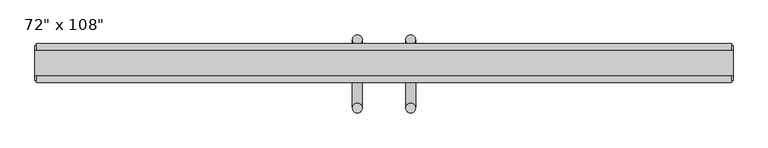
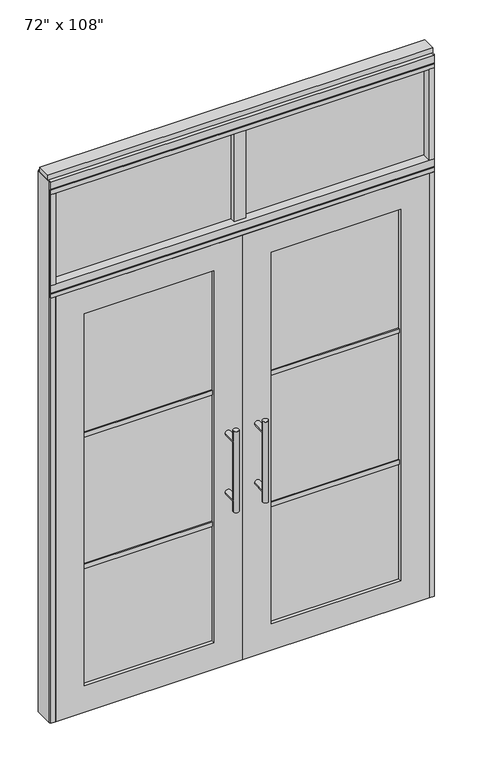
"""IFC4 building model written with IfcOpenShell, lengths in millimetres: furniture geometry."""

from ifc_helpers import new_model, si_unit, frame, origin, origin_with_axes, place, context, project, spatial, polyline, circle_curve, ellipse_curve, outline, extrude, source, transform, mapped, element, save
from ifc_brep_helpers import plane_surface, cylinder_surface, advanced_brep


def furniture_f7aca526(model_context):
    return source(origin(), model_context, "Body", "SolidModel", [
        advanced_brep(
        [(-117.3135229, 56.6962784, 1219.2), (-142.7135229, 56.6962784, 1219.2), (-117.3135229, 56.6962784, 812.8), (-142.7135229, 56.6962784, 812.8), (-117.3135229, 56.6962784, 1164.336), (-117.3135229, 56.6962784, 867.664), (-142.7135229, 56.6962784, 867.664), (-142.7135229, 56.6962784, 1164.336), (-117.3135229, -10.8677216, 1164.336), (-142.7135229, -10.8677216, 1164.336), (-117.3135229, -10.8677216, 867.664), (-142.7135229, -10.8677216, 867.664)],
        [
            (0, 1, circle_curve(frame((-130.0135229, 56.6962784, 1219.2), z_axis=(0.0, 0.0, 1.0), x_axis=(-1.0, 0.0, 0.0)), 12.7)),
            (1, 0, circle_curve(frame((-130.0135229, 56.6962784, 1219.2), z_axis=(0.0, 0.0, 1.0), x_axis=(-1.0, 0.0, 0.0)), 12.7)),
            (2, 3, circle_curve(frame((-130.0135229, 56.6962784, 812.8), z_axis=(0.0, 0.0, -1.0), x_axis=(-1.0, 0.0, 0.0)), 12.7)),
            (3, 2, circle_curve(frame((-130.0135229, 56.6962784, 812.8), z_axis=(0.0, 0.0, -1.0), x_axis=(-1.0, 0.0, 0.0)), 12.7)),
            (0, 4),
            (4, 5),
            (5, 2),
            (3, 6),
            (6, 7),
            (7, 1),
            (7, 4, ellipse_curve(frame((-130.0135229, 56.6962784, 1164.336), z_axis=(0.0, 0.707106781186565, 0.70710678118653), x_axis=(0.0, -0.70710678118653, 0.707106781186565)), 17.9605122, 12.7)),
            (5, 6, ellipse_curve(frame((-130.0135229, 56.6962784, 867.664), z_axis=(0.0, 0.70710678118653, -0.7071067811865649), x_axis=(0.0, 0.7071067811865648, 0.7071067811865301)), 17.9605122, 12.7)),
            (4, 7, ellipse_curve(frame((-130.0135229, 56.6962784, 1164.336), z_axis=(0.0, 0.70710678118653, -0.7071067811865649), x_axis=(0.0, 0.7071067811865648, 0.7071067811865301)), 17.9605122, 12.7)),
            (6, 5, ellipse_curve(frame((-130.0135229, 56.6962784, 867.664), z_axis=(0.0, 0.707106781186565, 0.70710678118653), x_axis=(0.0, -0.70710678118653, 0.707106781186565)), 17.9605122, 12.7)),
            (8, 9, circle_curve(frame((-130.0135229, -10.8677216, 1164.336), z_axis=(0.0, -1.0, 0.0), x_axis=(-1.0, 0.0, 0.0)), 12.7)),
            (9, 8, circle_curve(frame((-130.0135229, -10.8677216, 1164.336), z_axis=(0.0, -1.0, 0.0), x_axis=(-1.0, 0.0, 0.0)), 12.7)),
            (9, 7),
            (4, 8),
            (10, 11, circle_curve(frame((-130.0135229, -10.8677216, 867.664), z_axis=(0.0, -1.0, 0.0), x_axis=(-1.0, 0.0, 0.0)), 12.7)),
            (11, 10, circle_curve(frame((-130.0135229, -10.8677216, 867.664), z_axis=(0.0, -1.0, 0.0), x_axis=(-1.0, 0.0, 0.0)), 12.7)),
            (11, 6),
            (5, 10),
        ],
        [
            plane_surface(frame((-142.7135229, 56.6962784, 1219.2), z_axis=(0.0, 0.0, 1.0), x_axis=(0.0, -1.0, 0.0))),
            plane_surface(frame((-142.7135229, 56.6962784, 812.8), z_axis=(0.0, 0.0, -1.0), x_axis=(0.0, 1.0, 0.0))),
            cylinder_surface(frame((-130.0135229, 56.6962784, 812.8), z_axis=(0.0, 0.0, 1.0), x_axis=(-1.0, 0.0, 0.0)), 12.7),
            plane_surface(frame((-142.7135229, -10.8677216, 1164.336), z_axis=(0.0, -1.0, 0.0), x_axis=(0.0, 0.0, -1.0))),
            cylinder_surface(frame((-130.0135229, -10.8677216, 1164.336), z_axis=(0.0, 1.0, 0.0), x_axis=(-1.0, 0.0, 0.0)), 12.7),
            plane_surface(frame((-142.7135229, -10.8677216, 867.664), z_axis=(0.0, -1.0, 0.0), x_axis=(0.0, 0.0, -1.0))),
            cylinder_surface(frame((-130.0135229, -10.8677216, 867.664), z_axis=(0.0, 1.0, 0.0), x_axis=(-1.0, 0.0, 0.0)), 12.7),
        ],
        [
            (0, [[1, 2]]),
            (1, [[3, 4]]),
            (2, [[-1, 5, 6, 7, -4, 8, 9, 10]]),
            (2, [[-2, -10, 11, -5]]),
            (2, [[-3, -7, 12, -8]]),
            (2, [[13, -9, 14, -6]]),
            (3, [[15, 16]]),
            (4, [[-16, 17, -13, 18]]),
            (4, [[-15, -18, -11, -17]]),
            (5, [[19, 20]]),
            (6, [[-20, 21, -12, 22]]),
            (6, [[-19, -22, -14, -21]]),
        ],
    ),
        advanced_brep(
        [(-117.3135229, -122.8817216, 1219.2), (-142.7135229, -122.8817216, 1219.2), (-117.3135229, -122.8817216, 812.8), (-142.7135229, -122.8817216, 812.8), (-142.7135229, -122.8817216, 1164.336), (-142.7135229, -122.8817216, 867.664), (-117.3135229, -122.8817216, 867.664), (-117.3135229, -122.8817216, 1164.336), (-117.3135229, -55.3177216, 1164.336), (-142.7135229, -55.3177216, 1164.336), (-117.3135229, -55.3177216, 867.664), (-142.7135229, -55.3177216, 867.664)],
        [
            (0, 1, circle_curve(frame((-130.0135229, -122.8817216, 1219.2), z_axis=(0.0, 0.0, 1.0), x_axis=(-1.0, 0.0, 0.0)), 12.7)),
            (1, 0, circle_curve(frame((-130.0135229, -122.8817216, 1219.2), z_axis=(0.0, 0.0, 1.0), x_axis=(-1.0, 0.0, 0.0)), 12.7)),
            (2, 3, circle_curve(frame((-130.0135229, -122.8817216, 812.8), z_axis=(0.0, 0.0, -1.0), x_axis=(-1.0, 0.0, 0.0)), 12.7)),
            (3, 2, circle_curve(frame((-130.0135229, -122.8817216, 812.8), z_axis=(0.0, 0.0, -1.0), x_axis=(-1.0, 0.0, 0.0)), 12.7)),
            (1, 4),
            (4, 5),
            (5, 3),
            (2, 6),
            (6, 7),
            (7, 0),
            (6, 5, ellipse_curve(frame((-130.0135229, -122.8817216, 867.664), z_axis=(0.0, -0.707106781186565, 0.70710678118653), x_axis=(0.0, 0.70710678118653, 0.707106781186565)), 17.9605122, 12.7)),
            (4, 7, ellipse_curve(frame((-130.0135229, -122.8817216, 1164.336), z_axis=(0.0, -0.70710678118653, -0.7071067811865649), x_axis=(0.0, -0.7071067811865648, 0.7071067811865301)), 17.9605122, 12.7)),
            (7, 4, ellipse_curve(frame((-130.0135229, -122.8817216, 1164.336), z_axis=(0.0, -0.707106781186565, 0.70710678118653), x_axis=(0.0, 0.70710678118653, 0.707106781186565)), 17.9605122, 12.7)),
            (5, 6, ellipse_curve(frame((-130.0135229, -122.8817216, 867.664), z_axis=(0.0, -0.70710678118653, -0.7071067811865649), x_axis=(0.0, -0.7071067811865648, 0.7071067811865301)), 17.9605122, 12.7)),
            (8, 9, circle_curve(frame((-130.0135229, -55.3177216, 1164.336), z_axis=(0.0, 1.0, 0.0), x_axis=(-1.0, 0.0, 0.0)), 12.7)),
            (9, 8, circle_curve(frame((-130.0135229, -55.3177216, 1164.336), z_axis=(0.0, 1.0, 0.0), x_axis=(-1.0, 0.0, 0.0)), 12.7)),
            (8, 7),
            (4, 9),
            (10, 11, circle_curve(frame((-130.0135229, -55.3177216, 867.664), z_axis=(0.0, 1.0, 0.0), x_axis=(-1.0, 0.0, 0.0)), 12.7)),
            (11, 10, circle_curve(frame((-130.0135229, -55.3177216, 867.664), z_axis=(0.0, 1.0, 0.0), x_axis=(-1.0, 0.0, 0.0)), 12.7)),
            (10, 6),
            (5, 11),
        ],
        [
            plane_surface(frame((-142.7135229, -122.8817216, 1219.2), z_axis=(0.0, 0.0, 1.0), x_axis=(0.0, 1.0, 0.0))),
            plane_surface(frame((-142.7135229, -122.8817216, 812.8), z_axis=(0.0, 0.0, -1.0), x_axis=(0.0, -1.0, 0.0))),
            cylinder_surface(frame((-130.0135229, -122.8817216, 812.8), z_axis=(0.0, 0.0, 1.0), x_axis=(-1.0, 0.0, 0.0)), 12.7),
            plane_surface(frame((-142.7135229, -55.3177216, 1164.336), z_axis=(0.0, 1.0, 0.0), x_axis=(0.0, 0.0, -1.0))),
            cylinder_surface(frame((-130.0135229, -55.3177216, 1164.336), z_axis=(0.0, -1.0, 0.0), x_axis=(-1.0, 0.0, 0.0)), 12.7),
            plane_surface(frame((-142.7135229, -55.3177216, 867.664), z_axis=(0.0, 1.0, 0.0), x_axis=(0.0, 0.0, -1.0))),
            cylinder_surface(frame((-130.0135229, -55.3177216, 867.664), z_axis=(0.0, -1.0, 0.0), x_axis=(-1.0, 0.0, 0.0)), 12.7),
        ],
        [
            (0, [[1, 2]]),
            (1, [[3, 4]]),
            (2, [[5, 6, 7, -3, 8, 9, 10, -2]]),
            (2, [[-9, 11, -6, 12]]),
            (2, [[-10, 13, -5, -1]]),
            (2, [[-7, 14, -8, -4]]),
            (3, [[15, 16]]),
            (4, [[17, -12, 18, -15]]),
            (4, [[-18, -13, -17, -16]]),
            (5, [[19, 20]]),
            (6, [[21, -14, 22, -19]]),
            (6, [[-22, -11, -21, -20]]),
        ],
    ),
        extrude(outline(polyline([(-196.0535229, -44.2052216), (-812.2575229, -44.2052216), (-812.2575229, -21.9802216), (-196.0535229, -21.9802216), (-196.0535229, -44.2052216)])), frame((0.0, 0.0, 1371.6), z_axis=(0.0, 0.0, 1.0), x_axis=(1.0, 0.0, 0.0)), (0.0, 0.0, 1.0), 22.225),
        extrude(outline(polyline([(-196.0535229, -44.2052216), (-812.2575229, -44.2052216), (-812.2575229, -21.9802216), (-196.0535229, -21.9802216), (-196.0535229, -44.2052216)])), frame((0.0, 0.0, 711.2), z_axis=(0.0, 0.0, 1.0), x_axis=(1.0, 0.0, 0.0)), (0.0, 0.0, 1.0), 22.225),
        extrude(outline(polyline([(-812.2575229, -38.1727216), (-812.2575229, -28.0127216), (-196.0535229, -28.0127216), (-196.0535229, -38.1727216), (-812.2575229, -38.1727216)])), frame((0.0, 0.0, 132.969), z_axis=(0.0, 0.0, 1.0), x_axis=(1.0, 0.0, 0.0)), (0.0, 0.0, 1.0), 1867.662),
        extrude(outline(polyline([(2133.6, -948.2745229), (0.0, -948.2745229), (0.0, -60.0365229), (2133.6, -60.0365229), (2133.6, -948.2745229)]), holes=[polyline([(2000.631, -812.2575229), (2000.631, -196.0535229), (132.969, -196.0535229), (132.969, -812.2575229), (2000.631, -812.2575229)])]), frame((0.0, -55.3177216, 0.0), z_axis=(0.0, 1.0, 0.0), x_axis=(0.0, 0.0, 1.0)), (0.0, 0.0, 1.0), 44.45),
        extrude(outline(polyline([(-31.4615229, -33.0927216), (-88.6115229, -33.0927216), (-88.6115229, 24.0572784), (-31.4615229, 24.0572784), (-31.4615229, -33.0927216)])), frame((0.0, 0.0, 2197.1), z_axis=(0.0, 0.0, 1.0), x_axis=(1.0, 0.0, 0.0)), (0.0, 0.0, 1.0), 457.2),
        extrude(outline(polyline([(828.2014771, -9.5977216), (-948.2745229, -9.5977216), (-948.2745229, 0.5622784), (828.2014771, 0.5622784), (828.2014771, -9.5977216)])), frame((0.0, 0.0, 2197.1), z_axis=(0.0, 0.0, 1.0), x_axis=(1.0, 0.0, 0.0)), (0.0, 0.0, 1.0), 457.2),
        advanced_brep(
        [(-2.7595229, 56.6962784, 1219.2), (22.6404771, 56.6962784, 1219.2), (-2.7595229, 56.6962784, 812.8), (22.6404771, 56.6962784, 812.8), (22.6404771, 56.6962784, 1164.336), (22.6404771, 56.6962784, 867.664), (-2.7595229, 56.6962784, 867.664), (-2.7595229, 56.6962784, 1164.336), (-2.7595229, -10.8677216, 1164.336), (22.6404771, -10.8677216, 1164.336), (-2.7595229, -10.8677216, 867.664), (22.6404771, -10.8677216, 867.664)],
        [
            (0, 1, circle_curve(frame((9.9404771, 56.6962784, 1219.2), z_axis=(0.0, 0.0, 1.0), x_axis=(1.0, 0.0, 0.0)), 12.7)),
            (1, 0, circle_curve(frame((9.9404771, 56.6962784, 1219.2), z_axis=(0.0, 0.0, 1.0), x_axis=(1.0, 0.0, 0.0)), 12.7)),
            (2, 3, circle_curve(frame((9.9404771, 56.6962784, 812.8), z_axis=(0.0, 0.0, -1.0), x_axis=(1.0, 0.0, 0.0)), 12.7)),
            (3, 2, circle_curve(frame((9.9404771, 56.6962784, 812.8), z_axis=(0.0, 0.0, -1.0), x_axis=(1.0, 0.0, 0.0)), 12.7)),
            (1, 4),
            (4, 5),
            (5, 3),
            (2, 6),
            (6, 7),
            (7, 0),
            (6, 5, ellipse_curve(frame((9.9404771, 56.6962784, 867.664), z_axis=(0.0, 0.707106781186565, 0.70710678118653), x_axis=(0.0, -0.70710678118653, 0.707106781186565)), 17.9605122, 12.7)),
            (4, 7, ellipse_curve(frame((9.9404771, 56.6962784, 1164.336), z_axis=(0.0, 0.70710678118653, -0.7071067811865649), x_axis=(0.0, 0.7071067811865648, 0.7071067811865301)), 17.9605122, 12.7)),
            (7, 4, ellipse_curve(frame((9.9404771, 56.6962784, 1164.336), z_axis=(0.0, 0.707106781186565, 0.70710678118653), x_axis=(0.0, -0.70710678118653, 0.707106781186565)), 17.9605122, 12.7)),
            (5, 6, ellipse_curve(frame((9.9404771, 56.6962784, 867.664), z_axis=(0.0, 0.70710678118653, -0.7071067811865649), x_axis=(0.0, 0.7071067811865648, 0.7071067811865301)), 17.9605122, 12.7)),
            (8, 9, circle_curve(frame((9.9404771, -10.8677216, 1164.336), z_axis=(0.0, -1.0, 0.0), x_axis=(1.0, 0.0, 0.0)), 12.7)),
            (9, 8, circle_curve(frame((9.9404771, -10.8677216, 1164.336), z_axis=(0.0, -1.0, 0.0), x_axis=(1.0, 0.0, 0.0)), 12.7)),
            (8, 7),
            (4, 9),
            (10, 11, circle_curve(frame((9.9404771, -10.8677216, 867.664), z_axis=(0.0, -1.0, 0.0), x_axis=(1.0, 0.0, 0.0)), 12.7)),
            (11, 10, circle_curve(frame((9.9404771, -10.8677216, 867.664), z_axis=(0.0, -1.0, 0.0), x_axis=(1.0, 0.0, 0.0)), 12.7)),
            (10, 6),
            (5, 11),
        ],
        [
            plane_surface(frame((22.6404771, 56.6962784, 1219.2), z_axis=(0.0, 0.0, 1.0), x_axis=(0.0, -1.0, 0.0))),
            plane_surface(frame((22.6404771, 56.6962784, 812.8), z_axis=(0.0, 0.0, -1.0), x_axis=(0.0, 1.0, 0.0))),
            cylinder_surface(frame((9.9404771, 56.6962784, 812.8), z_axis=(0.0, 0.0, 1.0), x_axis=(1.0, 0.0, 0.0)), 12.7),
            plane_surface(frame((22.6404771, -10.8677216, 1164.336), z_axis=(0.0, -1.0, 0.0), x_axis=(0.0, 0.0, -1.0))),
            cylinder_surface(frame((9.9404771, -10.8677216, 1164.336), z_axis=(0.0, 1.0, 0.0), x_axis=(1.0, 0.0, 0.0)), 12.7),
            plane_surface(frame((22.6404771, -10.8677216, 867.664), z_axis=(0.0, -1.0, 0.0), x_axis=(0.0, 0.0, -1.0))),
            cylinder_surface(frame((9.9404771, -10.8677216, 867.664), z_axis=(0.0, 1.0, 0.0), x_axis=(1.0, 0.0, 0.0)), 12.7),
        ],
        [
            (0, [[1, 2]]),
            (1, [[3, 4]]),
            (2, [[5, 6, 7, -3, 8, 9, 10, -2]]),
            (2, [[-9, 11, -6, 12]]),
            (2, [[-10, 13, -5, -1]]),
            (2, [[-7, 14, -8, -4]]),
            (3, [[15, 16]]),
            (4, [[17, -12, 18, -15]]),
            (4, [[-18, -13, -17, -16]]),
            (5, [[19, 20]]),
            (6, [[21, -14, 22, -19]]),
            (6, [[-22, -11, -21, -20]]),
        ],
    ),
        advanced_brep(
        [(-2.7595229, -122.8817216, 1219.2), (22.6404771, -122.8817216, 1219.2), (-2.7595229, -122.8817216, 812.8), (22.6404771, -122.8817216, 812.8), (-2.7595229, -122.8817216, 1164.336), (-2.7595229, -122.8817216, 867.664), (22.6404771, -122.8817216, 867.664), (22.6404771, -122.8817216, 1164.336), (-2.7595229, -55.3177216, 1164.336), (22.6404771, -55.3177216, 1164.336), (-2.7595229, -55.3177216, 867.664), (22.6404771, -55.3177216, 867.664)],
        [
            (0, 1, circle_curve(frame((9.9404771, -122.8817216, 1219.2), z_axis=(0.0, 0.0, 1.0), x_axis=(1.0, 0.0, 0.0)), 12.7)),
            (1, 0, circle_curve(frame((9.9404771, -122.8817216, 1219.2), z_axis=(0.0, 0.0, 1.0), x_axis=(1.0, 0.0, 0.0)), 12.7)),
            (2, 3, circle_curve(frame((9.9404771, -122.8817216, 812.8), z_axis=(0.0, 0.0, -1.0), x_axis=(1.0, 0.0, 0.0)), 12.7)),
            (3, 2, circle_curve(frame((9.9404771, -122.8817216, 812.8), z_axis=(0.0, 0.0, -1.0), x_axis=(1.0, 0.0, 0.0)), 12.7)),
            (0, 4),
            (4, 5),
            (5, 2),
            (3, 6),
            (6, 7),
            (7, 1),
            (7, 4, ellipse_curve(frame((9.9404771, -122.8817216, 1164.336), z_axis=(0.0, -0.707106781186565, 0.70710678118653), x_axis=(0.0, 0.70710678118653, 0.707106781186565)), 17.9605122, 12.7)),
            (5, 6, ellipse_curve(frame((9.9404771, -122.8817216, 867.664), z_axis=(0.0, -0.70710678118653, -0.7071067811865649), x_axis=(0.0, -0.7071067811865648, 0.7071067811865301)), 17.9605122, 12.7)),
            (4, 7, ellipse_curve(frame((9.9404771, -122.8817216, 1164.336), z_axis=(0.0, -0.70710678118653, -0.7071067811865649), x_axis=(0.0, -0.7071067811865648, 0.7071067811865301)), 17.9605122, 12.7)),
            (6, 5, ellipse_curve(frame((9.9404771, -122.8817216, 867.664), z_axis=(0.0, -0.707106781186565, 0.70710678118653), x_axis=(0.0, 0.70710678118653, 0.707106781186565)), 17.9605122, 12.7)),
            (8, 9, circle_curve(frame((9.9404771, -55.3177216, 1164.336), z_axis=(0.0, 1.0, 0.0), x_axis=(1.0, 0.0, 0.0)), 12.7)),
            (9, 8, circle_curve(frame((9.9404771, -55.3177216, 1164.336), z_axis=(0.0, 1.0, 0.0), x_axis=(1.0, 0.0, 0.0)), 12.7)),
            (9, 7),
            (4, 8),
            (10, 11, circle_curve(frame((9.9404771, -55.3177216, 867.664), z_axis=(0.0, 1.0, 0.0), x_axis=(1.0, 0.0, 0.0)), 12.7)),
            (11, 10, circle_curve(frame((9.9404771, -55.3177216, 867.664), z_axis=(0.0, 1.0, 0.0), x_axis=(1.0, 0.0, 0.0)), 12.7)),
            (11, 6),
            (5, 10),
        ],
        [
            plane_surface(frame((22.6404771, -122.8817216, 1219.2), z_axis=(0.0, 0.0, 1.0), x_axis=(0.0, 1.0, 0.0))),
            plane_surface(frame((22.6404771, -122.8817216, 812.8), z_axis=(0.0, 0.0, -1.0), x_axis=(0.0, -1.0, 0.0))),
            cylinder_surface(frame((9.9404771, -122.8817216, 812.8), z_axis=(0.0, 0.0, 1.0), x_axis=(1.0, 0.0, 0.0)), 12.7),
            plane_surface(frame((22.6404771, -55.3177216, 1164.336), z_axis=(0.0, 1.0, 0.0), x_axis=(0.0, 0.0, -1.0))),
            cylinder_surface(frame((9.9404771, -55.3177216, 1164.336), z_axis=(0.0, -1.0, 0.0), x_axis=(1.0, 0.0, 0.0)), 12.7),
            plane_surface(frame((22.6404771, -55.3177216, 867.664), z_axis=(0.0, 1.0, 0.0), x_axis=(0.0, 0.0, -1.0))),
            cylinder_surface(frame((9.9404771, -55.3177216, 867.664), z_axis=(0.0, -1.0, 0.0), x_axis=(1.0, 0.0, 0.0)), 12.7),
        ],
        [
            (0, [[1, 2]]),
            (1, [[3, 4]]),
            (2, [[-1, 5, 6, 7, -4, 8, 9, 10]]),
            (2, [[-2, -10, 11, -5]]),
            (2, [[-3, -7, 12, -8]]),
            (2, [[13, -9, 14, -6]]),
            (3, [[15, 16]]),
            (4, [[-16, 17, -13, 18]]),
            (4, [[-15, -18, -11, -17]]),
            (5, [[19, 20]]),
            (6, [[-20, 21, -12, 22]]),
            (6, [[-19, -22, -14, -21]]),
        ],
    ),
        extrude(outline(polyline([(75.9804771, -44.2052216), (75.9804771, -21.9802216), (692.1844771, -21.9802216), (692.1844771, -44.2052216), (75.9804771, -44.2052216)])), frame((0.0, 0.0, 1371.6), z_axis=(0.0, 0.0, 1.0), x_axis=(1.0, 0.0, 0.0)), (0.0, 0.0, 1.0), 22.225),
        extrude(outline(polyline([(75.9804771, -44.2052216), (75.9804771, -21.9802216), (692.1844771, -21.9802216), (692.1844771, -44.2052216), (75.9804771, -44.2052216)])), frame((0.0, 0.0, 711.2), z_axis=(0.0, 0.0, 1.0), x_axis=(1.0, 0.0, 0.0)), (0.0, 0.0, 1.0), 22.225),
        extrude(outline(polyline([(692.1844771, -38.1727216), (75.9804771, -38.1727216), (75.9804771, -28.0127216), (692.1844771, -28.0127216), (692.1844771, -38.1727216)])), frame((0.0, 0.0, 132.969), z_axis=(0.0, 0.0, 1.0), x_axis=(1.0, 0.0, 0.0)), (0.0, 0.0, 1.0), 1867.662),
        extrude(outline(polyline([(2133.6, 828.2014771), (2133.6, -60.0365229), (0.0, -60.0365229), (0.0, 828.2014771), (2133.6, 828.2014771)]), holes=[polyline([(2000.631, 692.1844771), (132.969, 692.1844771), (132.969, 75.9804771), (2000.631, 75.9804771), (2000.631, 692.1844771)])]), frame((0.0, -55.3177216, 0.0), z_axis=(0.0, 1.0, 0.0), x_axis=(0.0, 0.0, 1.0)), (0.0, 0.0, 1.0), 44.45),
        extrude(outline(polyline([(-948.2745229, -55.3177216), (-970.4995229, -55.3177216), (-970.4995229, 46.2822784), (-948.2745229, 46.2822784), (-948.2745229, -55.3177216)])), frame((0.0, 0.0, 2197.1), z_axis=(0.0, 0.0, 1.0), x_axis=(1.0, 0.0, 0.0)), (0.0, 0.0, 1.0), 457.2),
        extrude(outline(polyline([(828.2014771, -55.3177216), (828.2014771, 46.2822784), (850.4264771, 46.2822784), (850.4264771, -55.3177216), (828.2014771, -55.3177216)])), frame((0.0, 0.0, 2197.1), z_axis=(0.0, 0.0, 1.0), x_axis=(1.0, 0.0, 0.0)), (0.0, 0.0, 1.0), 457.2),
        extrude(outline(polyline([(-970.4995229, -55.3177216), (-970.4995229, 46.2822784), (850.4264771, 46.2822784), (850.4264771, -55.3177216), (-970.4995229, -55.3177216)])), frame((0.0, 0.0, 2133.6), z_axis=(0.0, 0.0, 1.0), x_axis=(1.0, 0.0, 0.0)), (0.0, 0.0, 1.0), 22.225),
        extrude(outline(polyline([(-55.3177216, 2160.778), (-55.3177216, 2197.1), (46.2822784, 2197.1), (46.2822784, 2160.778), (41.3292784, 2160.778), (41.3292784, 2155.825), (-50.3647216, 2155.825), (-50.3647216, 2160.778), (-55.3177216, 2160.778)])), frame((-970.4995229, 0.0, 0.0), z_axis=(1.0, 0.0, 0.0), x_axis=(0.0, 1.0, 0.0)), (0.0, 0.0, 1.0), 1820.926),
        extrude(outline(polyline([(-970.4995229, -55.3177216), (-970.4995229, 46.2822784), (850.4264771, 46.2822784), (850.4264771, -55.3177216), (-970.4995229, -55.3177216)])), frame((0.0, 0.0, 2654.3), z_axis=(0.0, 0.0, 1.0), x_axis=(1.0, 0.0, 0.0)), (0.0, 0.0, 1.0), 22.225),
        extrude(outline(polyline([(854.3634771, -50.3647216), (850.4264771, -50.3647216), (850.4264771, 41.3292784), (854.3634771, 41.3292784), (854.3634771, -50.3647216)])), origin_with_axes(), (0.0, 0.0, 1.0), 2717.8),
        extrude(outline(polyline([(-974.4365229, -50.3647216), (-974.4365229, 41.3292784), (-970.4995229, 41.3292784), (-970.4995229, -50.3647216), (-974.4365229, -50.3647216)])), origin_with_axes(), (0.0, 0.0, 1.0), 2717.8),
        extrude(outline(polyline([(828.2014771, -55.3177216), (828.2014771, 46.2822784), (850.4264771, 46.2822784), (850.4264771, -55.3177216), (828.2014771, -55.3177216)])), origin_with_axes(), (0.0, 0.0, 1.0), 2133.6),
        extrude(outline(polyline([(-948.2745229, -55.3177216), (-970.4995229, -55.3177216), (-970.4995229, 46.2822784), (-948.2745229, 46.2822784), (-948.2745229, -55.3177216)])), origin_with_axes(), (0.0, 0.0, 1.0), 2133.6),
        extrude(outline(polyline([(-55.3177216, 2681.478), (-55.3177216, 2717.8), (46.2822784, 2717.8), (46.2822784, 2681.478), (41.3292784, 2681.478), (41.3292784, 2676.525), (-50.3647216, 2676.525), (-50.3647216, 2681.478), (-55.3177216, 2681.478)])), frame((-970.4995229, 0.0, 0.0), z_axis=(1.0, 0.0, 0.0), x_axis=(0.0, 1.0, 0.0)), (0.0, 0.0, 1.0), 1820.926),
        extrude(outline(polyline([(-974.4365229, -37.0297216), (-974.4365229, 27.9942784), (854.3634771, 27.9942784), (854.3634771, -37.0297216), (-974.4365229, -37.0297216)])), frame((0.0, 0.0, 2717.8), z_axis=(0.0, 0.0, 1.0), x_axis=(1.0, 0.0, 0.0)), (0.0, 0.0, 1.0), 25.4),
    ])


if __name__ == "__main__":
    model = new_model("IFC4")
    model_context = context("Model", 3, world=origin())
    ifc_project = project(units=[si_unit("LENGTHUNIT", "METRE", prefix="MILLI")], contexts=[model_context])
    site = spatial("IfcSite", under=ifc_project)
    building = spatial("IfcBuilding", under=site)
    placement = place(None, origin())
    furniture_shape = furniture_f7aca526(model_context)
    element("IfcFurniture", 1, ObjectType="72\" x 108\"", at=placement, inside=building, context=model_context, shape_type="MappedRepresentation", body=[
        mapped(furniture_shape, transform((0.0, 0.0, 0.0), x_axis=(1.0, 0.0, 0.0), y_axis=(0.0, 1.0, 0.0), z_axis=(0.0, 0.0, 1.0))),
    ])
    save(model, "model.ifc")
